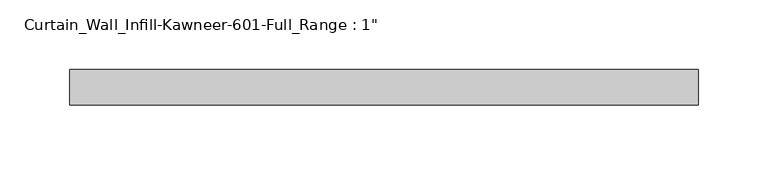
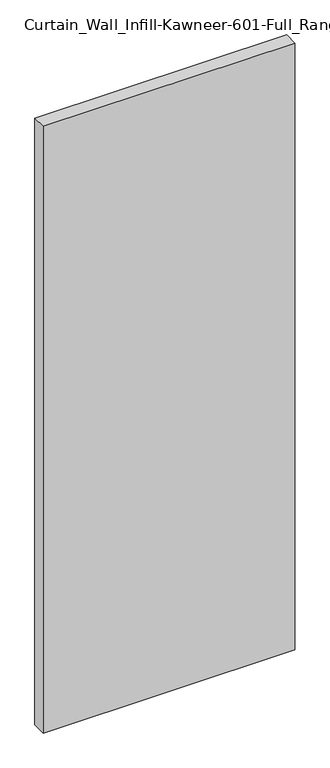
"""IFC4 building model written with IfcOpenShell, lengths in millimetres: plate geometry."""

from ifc_helpers import new_model, si_unit, origin, origin_with_axes, place, context, project, spatial, polyline, outline, extrude, source, transform, mapped, element, save


def plate_748c888e(model_context):
    return source(origin(), model_context, "Body", "SweptSolid", [
        extrude(outline(polyline([(-225.425, 12.7), (225.425, 12.7), (225.425, -12.7), (-225.425, -12.7), (-225.425, 12.7)])), origin_with_axes(), (0.0, 0.0, 1.0), 1149.35),
    ])


if __name__ == "__main__":
    model = new_model("IFC4")
    model_context = context("Model", 3, world=origin())
    ifc_project = project(units=[si_unit("LENGTHUNIT", "METRE", prefix="MILLI")], contexts=[model_context])
    site = spatial("IfcSite", under=ifc_project)
    building = spatial("IfcBuilding", under=site)
    placement = place(None, origin())
    plate_shape = plate_748c888e(model_context)
    element("IfcPlate", 1, ObjectType="Curtain_Wall_Infill-Kawneer-601-Full_Range : 1\"", at=placement, inside=building, context=model_context, shape_type="MappedRepresentation", body=[
        mapped(plate_shape, transform((0.0, 0.0, 0.0), x_axis=(1.0, 0.0, 0.0), y_axis=(0.0, 1.0, 0.0), z_axis=(0.0, 0.0, 1.0))),
    ])
    save(model, "model.ifc")
